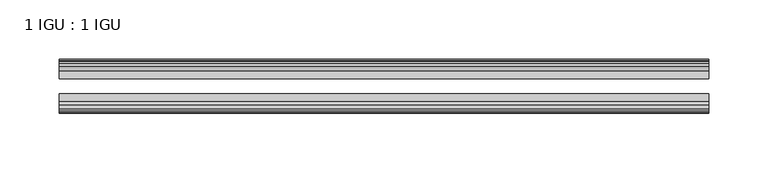
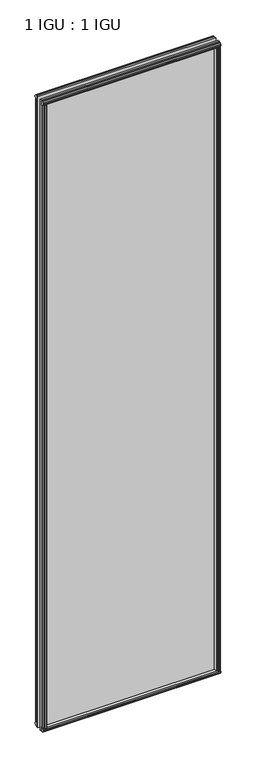
"""IFC4 building model written with IfcOpenShell, lengths in millimetres: plate geometry, 1 IGU : 1 IGU."""

from ifc_helpers import new_model, si_unit, frame, origin, origin_with_axes, place, context, project, spatial, polyline, outline, extrude, source, transform, mapped, element, save


def plate_1_igu_1_igu_de443558(model_context):
    return source(origin(), model_context, "Body", "SweptSolid", [
        extrude(outline(polyline([(258.7578803, -19.5460937), (260.8631573, -13.1960937), (266.0703517, -13.1960937), (266.4513517, -10.8158968), (265.0358227, -11.27583), (265.0358227, -10.4746158), (267.2133517, -9.7670937), (269.3908808, -10.4746158), (269.3908808, -11.27583), (267.9753517, -10.8158968), (268.3563517, -13.1960937), (272.8013517, -13.1960937), (272.8013517, -16.1419073), (270.5882743, -19.5460937), (258.7578803, -19.5460937)])), origin_with_axes(), (0.0, 0.0, 1.0), 2019.3),
        extrude(outline(polyline([(-258.7578803, -19.5460937), (-270.5882743, -19.5460937), (-272.8013517, -16.1419073), (-272.8013517, -13.1960937), (-268.3563517, -13.1960937), (-267.9753517, -10.8158968), (-269.3908808, -11.27583), (-269.3908808, -10.4746158), (-267.2133517, -9.7670937), (-265.0358227, -10.4746158), (-265.0358227, -11.27583), (-266.4513517, -10.8158968), (-266.0703517, -13.1960937), (-260.8631573, -13.1960937), (-258.7578803, -19.5460937)])), origin_with_axes(), (0.0, 0.0, 1.0), 2019.3),
        extrude(outline(polyline([(-16.1419073, -12.4576852), (-19.5460937, -10.2446077), (-19.5460937, 1.5857863), (-13.1960937, -0.5194908), (-13.1960937, -5.7266852), (-10.8158968, -6.1076852), (-11.27583, -4.6921562), (-10.4746158, -4.6921562), (-9.7670937, -6.8696852), (-10.4746158, -9.0472143), (-11.27583, -9.0472143), (-10.8158968, -7.6316852), (-13.1960937, -8.0126852), (-13.1960937, -12.4576852), (-16.1419073, -12.4576852)])), frame((-273.0436665, 0.0, 0.0), z_axis=(1.0, 0.0, 0.0), x_axis=(0.0, 1.0, 0.0)), (0.0, 0.0, 1.0), 546.087333),
        extrude(outline(polyline([(-48.3502802, -11.938), (-51.2960937, -11.938), (-51.2960937, -7.493), (-53.6762907, -7.112), (-53.2163575, -8.5275291), (-54.0175717, -8.5275291), (-54.7250937, -6.35), (-54.0175717, -4.172471), (-53.2163575, -4.172471), (-53.6762907, -5.588), (-51.2960937, -5.207), (-51.2960937, 0.0001944), (-44.9460937, 2.1054715), (-44.9460937, -9.7249225), (-48.3502802, -11.938)])), frame((-273.0436665, 0.0, 0.0), z_axis=(1.0, 0.0, 0.0), x_axis=(0.0, 1.0, 0.0)), (0.0, 0.0, 1.0), 546.087333),
        extrude(outline(polyline([(-16.1028367, 2031.7576852), (-13.1960937, 2031.7576852), (-13.1960937, 2027.3126852), (-10.8158968, 2026.9316852), (-11.27583, 2028.3472143), (-10.4746158, 2028.3472143), (-9.7670937, 2026.1696852), (-10.4746158, 2023.9921562), (-11.27583, 2023.9921562), (-10.8158968, 2025.4076852), (-13.1960937, 2025.0266852), (-13.1960937, 2019.7940908), (-19.5460937, 2017.6888137), (-19.5460937, 2029.5192077), (-16.1028367, 2031.7576852)])), frame((-273.0436665, 0.0, 0.0), z_axis=(1.0, 0.0, 0.0), x_axis=(0.0, 1.0, 0.0)), (0.0, 0.0, 1.0), 546.087333),
        extrude(outline(polyline([(-48.3893508, 2031.2126), (-44.9460937, 2028.9741225), (-44.9460937, 2017.1437285), (-51.2960937, 2019.2490056), (-51.2960937, 2024.4816), (-53.6762907, 2024.8626), (-53.2163575, 2023.4470709), (-54.0175717, 2023.4470709), (-54.7250938, 2025.6246), (-54.0175717, 2027.802129), (-53.2163575, 2027.802129), (-53.6762907, 2026.3866), (-51.2960937, 2026.7676), (-51.2960937, 2031.2126), (-48.3893508, 2031.2126)])), frame((-273.0436665, 0.0, 0.0), z_axis=(1.0, 0.0, 0.0), x_axis=(0.0, 1.0, 0.0)), (0.0, 0.0, 1.0), 546.087333),
        extrude(outline(polyline([(-258.238195, -44.9460938), (-260.3434721, -51.2960938), (-265.5506665, -51.2960938), (-265.9316665, -53.6762907), (-264.5161375, -53.2163575), (-264.5161375, -54.0175717), (-266.6936665, -54.7250938), (-268.8711956, -54.0175717), (-268.8711956, -53.2163575), (-267.4556665, -53.6762907), (-267.8366665, -51.2960938), (-272.2816665, -51.2960938), (-272.2816665, -48.3502802), (-270.068589, -44.9460938), (-258.238195, -44.9460938)])), origin_with_axes(), (0.0, 0.0, 1.0), 2019.3),
        extrude(outline(polyline([(258.238195, -44.9460938), (270.068589, -44.9460938), (272.2816665, -48.3502802), (272.2816665, -51.2960938), (267.8366665, -51.2960938), (267.4556665, -53.6762907), (268.8711956, -53.2163575), (268.8711956, -54.0175717), (266.6936665, -54.7250938), (264.5161375, -54.0175717), (264.5161375, -53.2163575), (265.9316665, -53.6762907), (265.5506665, -51.2960938), (260.3434721, -51.2960938), (258.238195, -44.9460938)])), origin_with_axes(), (0.0, 0.0, 1.0), 2019.3),
        extrude(outline(polyline([(273.0436665, -19.5460937), (273.0436665, -25.8337453), (-273.0436665, -25.8337453), (-273.0436665, -19.5460937), (273.0436665, -19.5460937)])), frame((0.0, 0.0, -12.7), z_axis=(0.0, 0.0, 1.0), x_axis=(1.0, 0.0, 0.0)), (0.0, 0.0, 1.0), 2044.6872998),
        extrude(outline(polyline([(-273.0436665, -44.9460937), (-273.0436665, -38.6468938), (273.0436665, -38.6468938), (273.0436665, -44.9460937), (-273.0436665, -44.9460937)])), frame((0.0, 0.0, -12.7), z_axis=(0.0, 0.0, 1.0), x_axis=(1.0, 0.0, 0.0)), (0.0, 0.0, 1.0), 2044.6872998),
    ])


if __name__ == "__main__":
    model = new_model("IFC4")
    model_context = context("Model", 3, world=origin())
    ifc_project = project(units=[si_unit("LENGTHUNIT", "METRE", prefix="MILLI")], contexts=[model_context])
    site = spatial("IfcSite", under=ifc_project)
    building = spatial("IfcBuilding", under=site)
    placement = place(None, origin())
    plate_1_igu_1_igu_shape = plate_1_igu_1_igu_de443558(model_context)
    element("IfcPlate", 1, ObjectType="1 IGU : 1 IGU", at=placement, inside=building, context=model_context, shape_type="MappedRepresentation", body=[
        mapped(plate_1_igu_1_igu_shape, transform((0.0, 0.0, 0.0), x_axis=(1.0, 0.0, 0.0), y_axis=(0.0, 1.0, 0.0), z_axis=(0.0, 0.0, 1.0))),
    ])
    save(model, "model.ifc")
